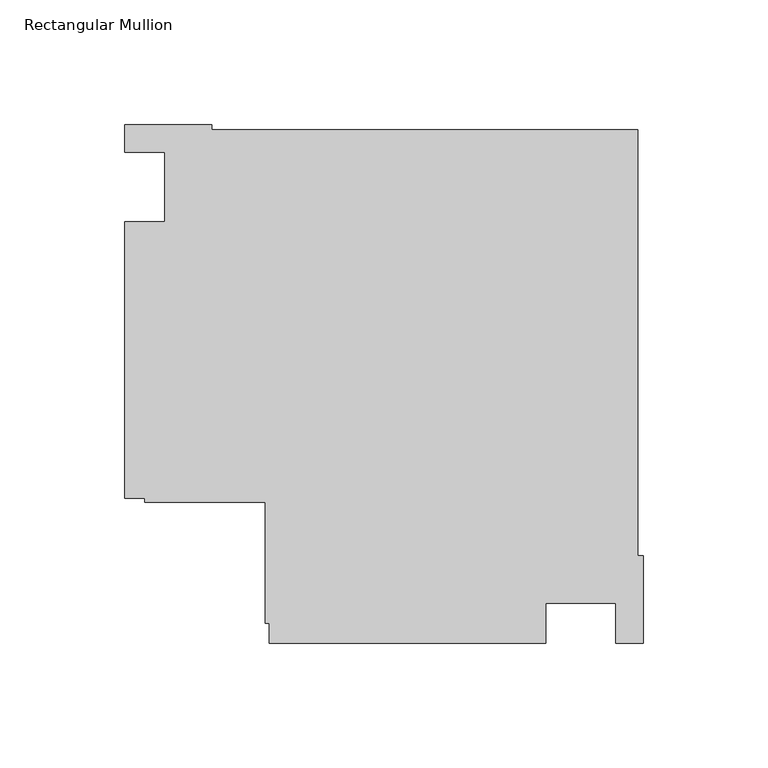
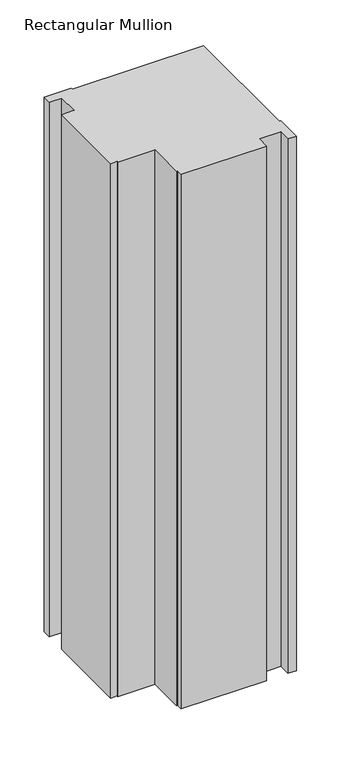
"""IFC4 building model written with IfcOpenShell, lengths in millimetres: member geometry, Rectangular Mullion."""

from ifc_helpers import new_model, si_unit, frame, origin, place, context, project, spatial, polyline, outline, extrude, source, transform, mapped, element, save


def rectangular_mullion_255af2c0(model_context):
    return source(origin(), model_context, "Body", "SweptSolid", [
        extrude(outline(polyline([(-38.9998882, -182.9914777), (-150.0, -182.9914777), (-150.0, -175.0000025), (-151.6, -175.0000025), (-151.6, -126.6000025), (-200.0, -126.6000025), (-200.0, -125.0000025), (-207.9999976, -125.0000025), (-207.9999976, -13.9998907), (-191.9999976, -13.9998907), (-191.9999976, 13.9997041), (-207.9999976, 13.9997041), (-207.9999976, 25.0), (-172.9999713, 25.0), (-172.9999713, 22.9147834), (-2.0852141, 22.9147834), (-2.0852141, -147.9999738), (0.0, -147.9999738), (0.0, -183.0000001), (-10.996264, -183.0000001), (-10.996264, -166.9914777), (-38.9998882, -166.9914777), (-38.9998882, -182.9914777)])), frame((0.0, 0.0, -734.958673), z_axis=(0.0, 0.0, 1.0), x_axis=(1.0, 0.0, 0.0)), (0.0, 0.0, 1.0), 734.958673),
    ])


if __name__ == "__main__":
    model = new_model("IFC4")
    model_context = context("Model", 3, world=origin())
    ifc_project = project(units=[si_unit("LENGTHUNIT", "METRE", prefix="MILLI")], contexts=[model_context])
    site = spatial("IfcSite", under=ifc_project)
    building = spatial("IfcBuilding", under=site)
    placement = place(None, origin())
    rectangular_mullion_shape = rectangular_mullion_255af2c0(model_context)
    element("IfcMember", 1, ObjectType="Rectangular Mullion", at=placement, inside=building, context=model_context, shape_type="MappedRepresentation", body=[
        mapped(rectangular_mullion_shape, transform((0.0, 0.0, 0.0), x_axis=(1.0, 0.0, 0.0), y_axis=(0.0, 1.0, 0.0), z_axis=(0.0, 0.0, 1.0))),
    ])
    save(model, "model.ifc")
